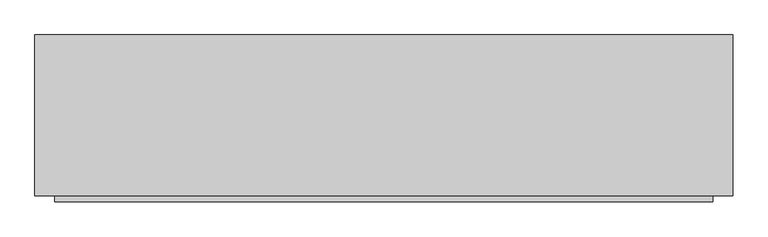
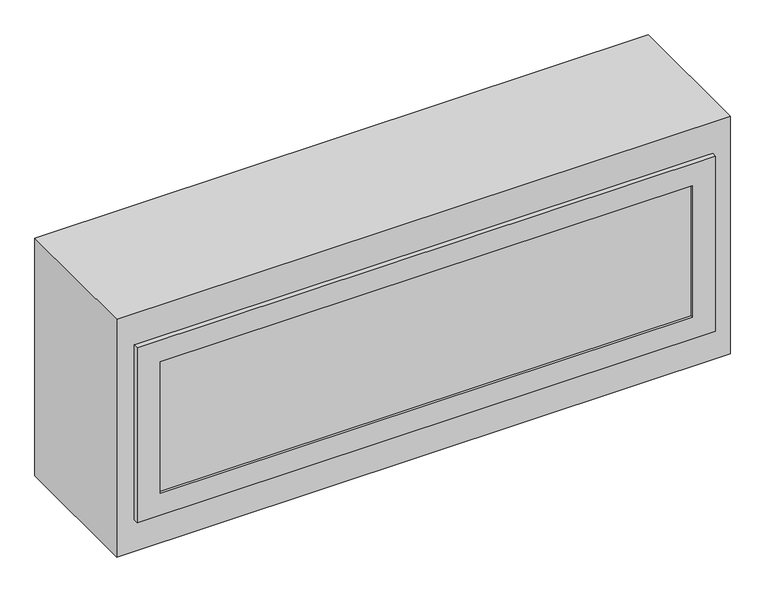
"""IFC4 building model written with IfcOpenShell, lengths in millimetres: proxy geometry."""

from ifc_helpers import new_model, si_unit, origin, origin_with_axes, place, context, project, spatial, polyline, outline, extrude, faceted_brep, source, transform, mapped, element, save


def generic_models_f9d491d6(model_context):
    return source(origin(), model_context, "Body", "SolidModel", [
        faceted_brep([(638.96875, -11.1125, 482.0046875), (638.96875, 0.0, 482.0046875), (-638.96875, 0.0, 482.0046875), (-638.96875, -11.1125, 482.0046875), (638.96875, -11.1125, 73.6203125), (-638.96875, -11.1125, 73.6203125), (-638.96875, 0.0, 73.6203125), (638.96875, 0.0, 73.6203125), (-588.16875, -11.1125, 431.2046875), (588.16875, -11.1125, 431.2046875), (588.16875, -11.1125, 124.4203125), (-588.16875, -11.1125, 124.4203125), (588.16875, -5.5999181, 431.2046875), (-588.16875, -5.5999181, 431.2046875), (-588.16875, -5.5999181, 124.4203125), (588.16875, -5.5999181, 124.4203125)], [[[0, 1, 2, 3]], [[4, 5, 6, 7]], [[1, 0, 4, 7]], [[2, 1, 7, 6]], [[3, 2, 6, 5]], [[0, 3, 5, 4], [8, 9, 10, 11]], [[12, 13, 14, 15]], [[13, 12, 9, 8]], [[14, 13, 8, 11]], [[15, 14, 11, 10]], [[12, 15, 10, 9]]]),
        extrude(outline(polyline([(677.8625, 0.0), (-677.8625, 0.0), (-677.8625, 312.7375), (677.8625, 312.7375), (677.8625, 0.0)])), origin_with_axes(), (0.0, 0.0, 1.0), 555.625),
    ])


if __name__ == "__main__":
    model = new_model("IFC4")
    model_context = context("Model", 3, world=origin())
    ifc_project = project(units=[si_unit("LENGTHUNIT", "METRE", prefix="MILLI")], contexts=[model_context])
    site = spatial("IfcSite", under=ifc_project)
    building = spatial("IfcBuilding", under=site)
    placement = place(None, origin())
    generic_models_shape = generic_models_f9d491d6(model_context)
    element("IfcBuildingElementProxy", 1, Name="Generic Models", at=placement, inside=building, context=model_context, shape_type="MappedRepresentation", body=[
        mapped(generic_models_shape, transform((0.0, 0.0, 0.0), x_axis=(1.0, 0.0, 0.0), y_axis=(0.0, 1.0, 0.0), z_axis=(0.0, 0.0, 1.0))),
    ])
    save(model, "model.ifc")
